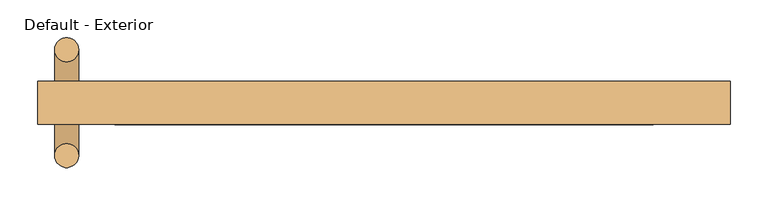
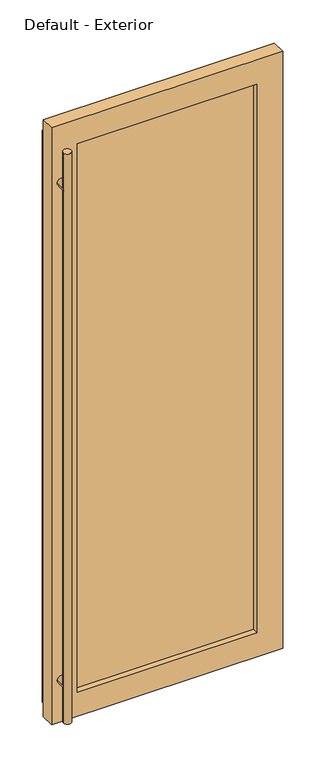
"""IFC4 building model written with IfcOpenShell, lengths in millimetres: door geometry, Default - Exterior."""

import ifcopenshell
import ifcopenshell.guid

model = None  # the IFC model being written
_history = None  # IfcOwnerHistory: only IFC2X3 demands one
_inside = {}  # id of a spatial element -> (the spatial element, [elements in it])
_under = {}  # id of a project, library or spatial element -> (it, [spatial elements below it])
_declared = {}  # id of a project -> (the project, [libraries it declares])
_typed = {}  # id of a type object -> (the type object, [elements of that type])
_made_of = {}  # id of a material, layer set ... -> (it, [elements and type objects made of it])


def new_model(schema):
    """Start an empty IFC model of exactly this schema.

    Asked for "IFC4X3", IfcOpenShell would pick the latest addendum, in which some entities
    have other attributes; the version numbers below select the first issue.
    IFC2X3 requires an IfcOwnerHistory on every rooted entity: one is made here for all.
    """
    global model, _history
    if schema == "IFC4X3":
        model = ifcopenshell.file(schema_version=(4, 3, 0, 0))
    else:
        model = ifcopenshell.file(schema=schema)
    _inside.clear()
    _under.clear()
    _declared.clear()
    _typed.clear()
    _made_of.clear()
    _history = None
    if model.schema == "IFC2X3":
        org = make("IfcOrganization", Name="unknown")
        user = make(
            "IfcPersonAndOrganization",
            ThePerson=make("IfcPerson", FamilyName="unknown"),
            TheOrganization=org,
        )
        app = make(
            "IfcApplication",
            ApplicationDeveloper=org,
            Version="unknown",
            ApplicationFullName="unknown",
            ApplicationIdentifier="unknown",
        )
        _history = make(
            "IfcOwnerHistory",
            OwningUser=user,
            OwningApplication=app,
            ChangeAction="ADDED",
            CreationDate=0,
        )
    return model


def make(cls, **values):
    """One entity of the class cls with the attributes given. An attribute that is None is left unset."""
    return model.create_entity(
        cls, **{name: value for name, value in values.items() if value is not None}
    )


def rooted(cls, **values):
    """An entity with a GlobalId (a new one), such as an element, a storey or a relation."""
    return make(cls, GlobalId=ifcopenshell.guid.new(), OwnerHistory=_history, **values)


def si_unit(unit_type, name, prefix=None):
    """IfcSIUnit, for example si_unit("LENGTHUNIT", "METRE", prefix="MILLI")."""
    return make("IfcSIUnit", UnitType=unit_type, Prefix=prefix, Name=name)


def assignment(units):
    """IfcUnitAssignment: the units of a project."""
    return None if units is None else make("IfcUnitAssignment", Units=units)


def point(xyz):
    """IfcCartesianPoint."""
    return None if xyz is None else make("IfcCartesianPoint", Coordinates=xyz)


def direction(xyz):
    """IfcDirection."""
    return None if xyz is None else make("IfcDirection", DirectionRatios=xyz)


def frame(location, z_axis=None, x_axis=None):
    """IfcAxis2Placement3D, a coordinate frame: its origin and axes. An axis left out is left unset."""
    return make(
        "IfcAxis2Placement3D",
        Location=point(location),
        Axis=direction(z_axis),
        RefDirection=direction(x_axis),
    )


def frame_2d(location, x_axis=None):
    """IfcAxis2Placement2D, a coordinate frame in the plane: its origin and x axis."""
    return make(
        "IfcAxis2Placement2D", Location=point(location), RefDirection=direction(x_axis)
    )


def origin():
    """The frame at (0, 0, 0) with its axes left unset."""
    return frame((0.0, 0.0, 0.0))


def place(relative_to, where):
    """IfcLocalPlacement: puts the frame where relative to a parent placement (None: the world)."""
    return make(
        "IfcLocalPlacement", PlacementRelTo=relative_to, RelativePlacement=where
    )


def context(
    kind, dimensions, precision=None, world=None, true_north=None, identifier=None
):
    """IfcGeometricRepresentationContext, for example the 3D "Model" context."""
    return make(
        "IfcGeometricRepresentationContext",
        ContextIdentifier=identifier,
        ContextType=kind,
        CoordinateSpaceDimension=dimensions,
        Precision=precision,
        WorldCoordinateSystem=world,
        TrueNorth=true_north,
    )


def project(units=None, contexts=None):
    """IfcProject with its units and contexts."""
    return rooted(
        "IfcProject",
        Name="project",
        RepresentationContexts=contexts,
        UnitsInContext=assignment(units),
    )


def spatial(cls, under=None, at=None, **own):
    """A site, building, storey or space (cls), placed at a placement, below another one or the project."""
    s = rooted(cls, ObjectPlacement=at, **own)
    if under is not None:
        _under.setdefault(under.id(), (under, []))[1].append(s)
    return s


def polyline(points):
    """IfcPolyline through the points."""
    return make("IfcPolyline", Points=[point(p) for p in points])


def circle_curve(where, radius):
    """IfcCircle in the frame where."""
    return make("IfcCircle", Position=where, Radius=radius)


def trimmed(basis, trim1, trim2, sense, master):
    """IfcTrimmedCurve: the piece of a basis curve between two trims."""
    return make(
        "IfcTrimmedCurve",
        BasisCurve=basis,
        Trim1=trim1,
        Trim2=trim2,
        SenseAgreement=sense,
        MasterRepresentation=master,
    )


def segment(curve, same_sense, transition):
    """IfcCompositeCurveSegment."""
    return make(
        "IfcCompositeCurveSegment",
        Transition=transition,
        SameSense=same_sense,
        ParentCurve=curve,
    )


def composite_curve(segments, self_intersect=None):
    """IfcCompositeCurve: segments joined end to end."""
    return make("IfcCompositeCurve", Segments=segments, SelfIntersect=self_intersect)


def outline(outer, holes=None, kind="AREA"):
    """IfcArbitraryClosedProfileDef: a profile drawn as a closed curve; with holes, ...WithVoids."""
    if holes is None:
        return make("IfcArbitraryClosedProfileDef", ProfileType=kind, OuterCurve=outer)
    return make(
        "IfcArbitraryProfileDefWithVoids",
        ProfileType=kind,
        OuterCurve=outer,
        InnerCurves=holes,
    )


def extrude(swept, where, along, depth):
    """IfcExtrudedAreaSolid: the profile swept, set in the frame where, extruded along a direction by depth."""
    return make(
        "IfcExtrudedAreaSolid",
        SweptArea=swept,
        Position=where,
        ExtrudedDirection=direction(along),
        Depth=depth,
    )


def shape(context_of_items, identifier, shape_type, items):
    """IfcShapeRepresentation: the items that make up one representation, for example the "Body"."""
    return make(
        "IfcShapeRepresentation",
        ContextOfItems=context_of_items,
        RepresentationIdentifier=identifier,
        RepresentationType=shape_type,
        Items=items,
    )


def source(mapping_origin, context_of_items, identifier, shape_type, items):
    """IfcRepresentationMap: a shape defined once, which mapped items show again and again."""
    return make(
        "IfcRepresentationMap",
        MappingOrigin=mapping_origin,
        MappedRepresentation=shape(context_of_items, identifier, shape_type, items),
    )


def transform(
    local_origin,
    x_axis=None,
    y_axis=None,
    z_axis=None,
    scale=None,
    scale2=None,
    scale3=None,
    uniform=True,
):
    """IfcCartesianTransformationOperator3D, or its non-uniform kind. x_axis, y_axis, z_axis: its Axis1, 2, 3."""
    if uniform:
        return make(
            "IfcCartesianTransformationOperator3D",
            Axis1=direction(x_axis),
            Axis2=direction(y_axis),
            LocalOrigin=point(local_origin),
            Scale=scale,
            Axis3=direction(z_axis),
        )
    return make(
        "IfcCartesianTransformationOperator3DnonUniform",
        Axis1=direction(x_axis),
        Axis2=direction(y_axis),
        LocalOrigin=point(local_origin),
        Scale=scale,
        Axis3=direction(z_axis),
        Scale2=scale2,
        Scale3=scale3,
    )


def mapped(mapping_source, mapping_target):
    """IfcMappedItem: shows the shape of a source again, moved by a transform."""
    return make(
        "IfcMappedItem", MappingSource=mapping_source, MappingTarget=mapping_target
    )


def made_of(thing, what):
    """Note that an element or type object is made of a material, layer set ...; save() writes the relation."""
    if what is not None:
        _made_of.setdefault(what.id(), (what, []))[1].append(thing)
    return thing


def element(
    cls,
    number,
    at=None,
    inside=None,
    cuts=None,
    type_object=None,
    material=None,
    context=None,
    identifier="Body",
    shape_type=None,
    held_by="IfcProductDefinitionShape",
    body=None,
    shapes=None,
    **own,
):
    """One element of the class cls, such as IfcWall. Its Tag is "e" and its number.

    at: its placement. inside: the storey or other place that contains it. cuts: it is an
    opening in that element (IfcRelVoidsElement). A single representation is given by context,
    identifier, shape_type and body (its items); several are given by shapes. held_by: the class
    of the entity that holds the representations. save() writes the other relations.
    """
    e = rooted(cls, Tag="e%d" % number, ObjectPlacement=at, **own)
    if body is not None:
        shapes = [shape(context, identifier, shape_type, body)]
    if shapes is not None:
        e.Representation = make(held_by, Representations=shapes)
    if inside is not None:
        _inside.setdefault(inside.id(), (inside, []))[1].append(e)
    if cuts is not None:
        rooted(
            "IfcRelVoidsElement", RelatingBuildingElement=cuts, RelatedOpeningElement=e
        )
    if type_object is not None:
        _typed.setdefault(type_object.id(), (type_object, []))[1].append(e)
    return made_of(e, material)


def aggregate(whole, parts):
    """IfcRelAggregates: a whole, such as a stair, and the parts it consists of."""
    return rooted("IfcRelAggregates", RelatingObject=whole, RelatedObjects=parts)


def save(model, path):
    """Write the relations noted so far, then the file.

    IfcRelAggregates (storeys below a building ...), IfcRelContainedInSpatialStructure (elements
    in a storey), IfcRelDefinesByType, IfcRelAssociatesMaterial and IfcRelDeclares: one each for
    every whole, place, type object, material and project.
    """
    for whole, parts in _under.values():
        aggregate(whole, parts)
    for where, things in _inside.values():
        rooted(
            "IfcRelContainedInSpatialStructure",
            RelatedElements=things,
            RelatingStructure=where,
        )
    for kind, things in _typed.values():
        rooted("IfcRelDefinesByType", RelatedObjects=things, RelatingType=kind)
    for what, things in _made_of.values():
        rooted("IfcRelAssociatesMaterial", RelatedObjects=things, RelatingMaterial=what)
    for by, libraries in _declared.values():
        rooted("IfcRelDeclares", RelatingContext=by, RelatedDefinitions=libraries)
    model.write(path)


def default_exterior_e820c0bc(model_context):
    return source(origin(), model_context, "Body", "SweptSolid", [
        extrude(outline(composite_curve([segment(trimmed(circle_curve(frame_2d((2260.6, -419.4)), 15.875), [point((2260.6, -435.275))], [point((2260.6, -403.525))], False, "CARTESIAN"), True, "CONTINUOUS"), segment(trimmed(circle_curve(frame_2d((2260.6, -419.4)), 15.875), [point((2260.6, -403.525))], [point((2260.6, -435.275))], False, "CARTESIAN"), True, "CONTINUOUS")], self_intersect=False)), frame((0.0, -69.7914438, 0.0), z_axis=(0.0, 1.0, 0.0), x_axis=(0.0, 0.0, 1.0)), (0.0, 0.0, 1.0), 139.7),
        extrude(outline(composite_curve([segment(trimmed(circle_curve(frame_2d((177.8, -419.4)), 15.875), [point((177.8, -435.275))], [point((177.8, -403.525))], False, "CARTESIAN"), True, "CONTINUOUS"), segment(trimmed(circle_curve(frame_2d((177.8, -419.4)), 15.875), [point((177.8, -403.525))], [point((177.8, -435.275))], False, "CARTESIAN"), True, "CONTINUOUS")], self_intersect=False)), frame((0.0, -69.7914438, 0.0), z_axis=(0.0, 1.0, 0.0), x_axis=(0.0, 0.0, 1.0)), (0.0, 0.0, 1.0), 139.7),
        extrude(outline(composite_curve([segment(trimmed(circle_curve(frame_2d((-419.4, -69.7914438)), 15.875), [point((-435.275, -69.7914438))], [point((-403.525, -69.7914438))], False, "CARTESIAN"), True, "CONTINUOUS"), segment(trimmed(circle_curve(frame_2d((-419.4, -69.7914438)), 15.875), [point((-403.525, -69.7914438))], [point((-435.275, -69.7914438))], False, "CARTESIAN"), True, "CONTINUOUS")], self_intersect=False)), frame((0.0, 0.0, 25.4), z_axis=(0.0, 0.0, 1.0), x_axis=(1.0, 0.0, 0.0)), (0.0, 0.0, 1.0), 2387.6),
        extrude(outline(composite_curve([segment(trimmed(circle_curve(frame_2d((-419.4, 69.9085562)), 15.875), [point((-435.275, 69.9085562))], [point((-403.525, 69.9085562))], False, "CARTESIAN"), True, "CONTINUOUS"), segment(trimmed(circle_curve(frame_2d((-419.4, 69.9085562)), 15.875), [point((-403.525, 69.9085562))], [point((-435.275, 69.9085562))], False, "CARTESIAN"), True, "CONTINUOUS")], self_intersect=False)), frame((0.0, 0.0, 25.4), z_axis=(0.0, 0.0, 1.0), x_axis=(1.0, 0.0, 0.0)), (0.0, 0.0, 1.0), 2387.6),
        extrude(outline(polyline([(2500.0, -457.5), (0.0, -457.5), (0.0, 457.5), (2500.0, 457.5), (2500.0, -457.5)]), holes=[polyline([(2398.4, -355.9), (2398.4, 355.9), (101.6, 355.9), (101.6, -355.9), (2398.4, -355.9)])]), frame((0.0, -28.5164438, 0.0), z_axis=(0.0, 1.0, 0.0), x_axis=(0.0, 0.0, 1.0)), (0.0, 0.0, 1.0), 57.15),
        extrude(outline(polyline([(355.9, -6.2914438), (-355.9, -6.2914438), (-355.9, 6.4085562), (355.9, 6.4085562), (355.9, -6.2914438)])), frame((0.0, 0.0, 101.6), z_axis=(0.0, 0.0, 1.0), x_axis=(1.0, 0.0, 0.0)), (0.0, 0.0, 1.0), 2296.8),
    ])


if __name__ == "__main__":
    model = new_model("IFC4")
    model_context = context("Model", 3, world=origin())
    ifc_project = project(units=[si_unit("LENGTHUNIT", "METRE", prefix="MILLI")], contexts=[model_context])
    site = spatial("IfcSite", under=ifc_project)
    building = spatial("IfcBuilding", under=site)
    placement = place(None, origin())
    default_exterior_shape = default_exterior_e820c0bc(model_context)
    element("IfcDoor", 1, ObjectType="Default - Exterior", at=placement, inside=building, context=model_context, shape_type="MappedRepresentation", body=[
        mapped(default_exterior_shape, transform((0.0, 0.0, 0.0), x_axis=(1.0, 0.0, 0.0), y_axis=(0.0, 1.0, 0.0), z_axis=(0.0, 0.0, 1.0))),
    ])
    save(model, "model.ifc")
